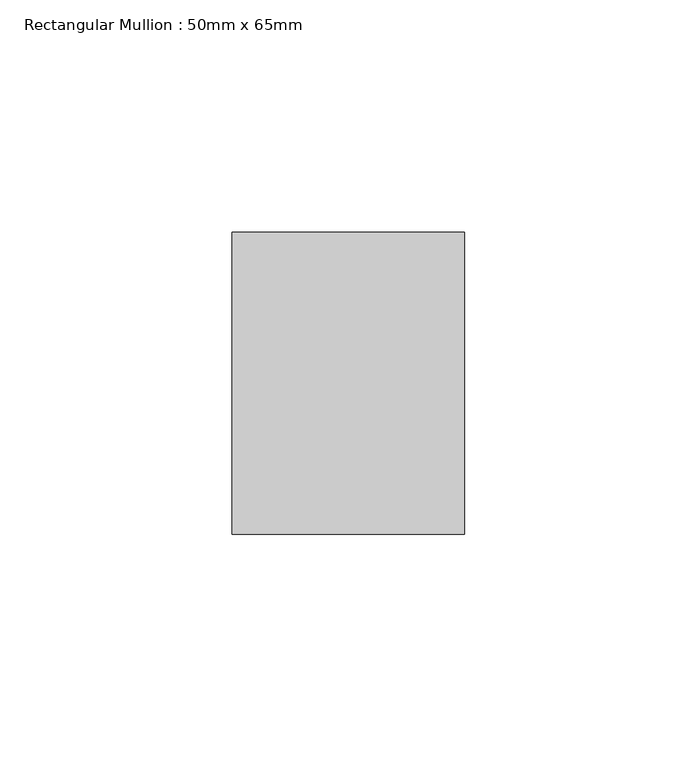
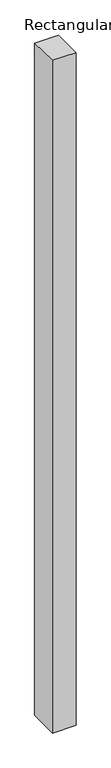
"""IFC4 building model written with IfcOpenShell, lengths in millimetres: member geometry, Rectangular Mullion : 50mm x 65mm."""

from ifc_helpers import new_model, si_unit, frame, origin, place, context, project, spatial, polyline, outline, extrude, source, transform, mapped, element, save


def rectangular_mullion_50mm_x_65mm_d83fe2f5(model_context):
    return source(origin(), model_context, "Body", "SweptSolid", [
        extrude(outline(polyline([(-32.5, 0.4966782), (32.5, -0.4966783), (32.5, -1499.5933224), (-32.5, -1500.407976), (-32.5, 0.4966782)])), frame((-25.0, 0.0, 0.0), z_axis=(1.0, 0.0, 0.0), x_axis=(0.0, 1.0, 0.0)), (0.0, 0.0, 1.0), 50.0),
    ])


if __name__ == "__main__":
    model = new_model("IFC4")
    model_context = context("Model", 3, world=origin())
    ifc_project = project(units=[si_unit("LENGTHUNIT", "METRE", prefix="MILLI")], contexts=[model_context])
    site = spatial("IfcSite", under=ifc_project)
    building = spatial("IfcBuilding", under=site)
    placement = place(None, origin())
    rectangular_mullion_50mm_x_65mm_shape = rectangular_mullion_50mm_x_65mm_d83fe2f5(model_context)
    element("IfcMember", 1, ObjectType="Rectangular Mullion : 50mm x 65mm", at=placement, inside=building, context=model_context, shape_type="MappedRepresentation", body=[
        mapped(rectangular_mullion_50mm_x_65mm_shape, transform((0.0, 0.0, 0.0), x_axis=(1.0, 0.0, 0.0), y_axis=(0.0, 1.0, 0.0), z_axis=(0.0, 0.0, 1.0))),
    ])
    save(model, "model.ifc")
